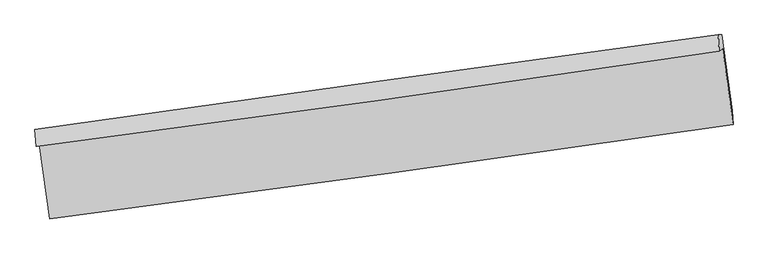
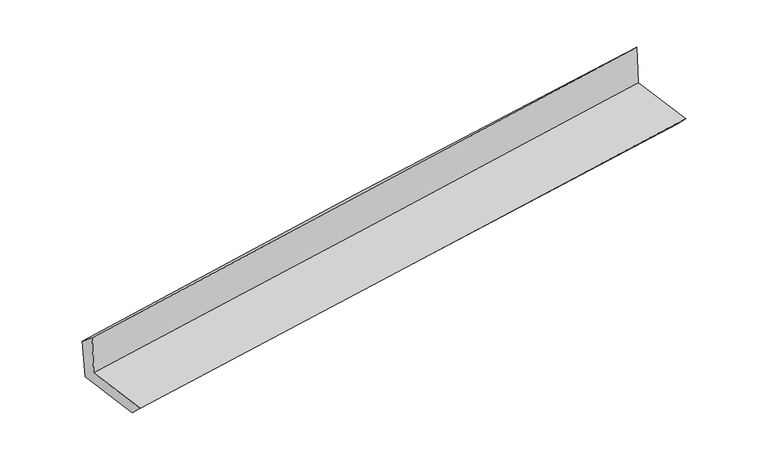
"""IFC4 building model written with IfcOpenShell, lengths in millimetres: proxy geometry."""

from ifc_helpers import new_model, si_unit, frame, origin, place, context, project, spatial, source, transform, mapped, element, save
from ifc_brep_helpers import plane_surface, spline_curve, spline_surface, advanced_brep


def generic_models_f47ac83e(model_context):
    return source(origin(), model_context, "Body", "AdvancedBrep", [
        advanced_brep(
        [(-3002.4272451, -1905.7506559, 1648.9788475), (-2911.5884304, -2559.830647, 1636.3362282), (3046.5817503, -1735.5115737, 2128.339541), (2954.4578688, -1072.1785285, 2141.1610112), (-3031.5118078, -1928.0490992, 2046.383396), (2925.0087953, -1094.7564335, 2543.546149), (-3042.1737656, -1776.5817533, 1921.0662822), (2916.28389, -951.4984868, 2408.218492), (-3010.4946758, -1776.912111, 1530.0009474), (2947.9727102, -951.828946, 2017.0330383), (-2919.5388819, -2431.8344043, 1517.3420473), (3039.6779245, -1612.1474004, 2004.2698366)],
        [
            (0, 1),
            (1, 2, spline_curve(3, [(-2911.5884304, -2559.830647, 1636.3362282), (-1918.257938687, -2429.115802498, 1725.924352266), (-925.078395826, -2295.065107341, 1811.718699349), (1060.978330654, -2020.292079696, 1975.719799868), (2053.855515063, -1879.569750453, 2053.926557402), (3046.5817503, -1735.5115737, 2128.339541)], [4, 2, 4], [0.0, 9.900150422184588, 19.800296258606025])),
            (2, 3),
            (3, 0, spline_curve(3, [(2954.4578688, -1072.1785285, 2141.1610112), (1962.422316908, -1221.209933292, 2066.651900816), (969.997563179, -1365.189964919, 1988.382175747), (-1015.630807652, -1643.047345433, 1824.321457856), (-2008.834425471, -1776.924689807, 1738.530461791), (-3002.4272451, -1905.7506559, 1648.9788475)], [4, 2, 4], [0.0, 9.900145836421437, 19.800296258606025])),
            (4, 0),
            (3, 5),
            (5, 4, spline_curve(3, [(2925.0087953, -1094.7564335, 2543.546149), (1933.155498835, -1243.648107529, 2466.546744211), (940.852248604, -1387.534985042, 2386.616822779), (-1044.654618448, -1665.299211888, 2220.89590764), (-2037.858236136, -1799.176555969, 2135.104911704), (-3031.5118078, -1928.0490992, 2046.383396)], [4, 2, 4], [0.0, 9.900197241645236, 19.800399069077432])),
            (6, 4),
            (5, 7),
            (7, 6, spline_curve(3, [(2916.28389, -951.4984868, 2408.218492), (1921.975174946, -1085.625813136, 2336.510475182), (928.282794196, -1221.446398832, 2260.060459887), (-1057.86975839, -1496.474153065, 2097.676394105), (-2050.329929628, -1635.681322845, 2011.742339517), (-3042.1737656, -1776.5817533, 1921.0662822)], [4, 2, 4], [0.0, 9.900063267486653, 19.800131120698207])),
            (8, 6),
            (7, 9),
            (9, 8, spline_curve(3, [(2947.9727102, -951.828946, 2017.0330383), (1954.204160064, -1085.961905495, 1938.656906698), (960.781050853, -1221.785299333, 1858.882843072), (-1025.374744648, -1496.813019364, 1696.538814329), (-2018.107431086, -1636.017347247, 1613.968847486), (-3010.4946758, -1776.912111, 1530.0009474)], [4, 2, 4], [0.0, 9.900014093135157, 19.80003277197244])),
            (10, 8),
            (9, 11),
            (11, 10, spline_curve(3, [(3039.6779245, -1612.1474004, 2004.2698366), (2046.013695352, -1747.031518898, 1925.879186155), (1052.580295434, -1882.780812551, 1846.106554726), (-933.825306887, -2156.009813129, 1683.797293083), (-1926.797508941, -2293.489520759, 1601.260661097), (-2919.5388819, -2431.8344043, 1517.3420473)], [4, 2, 4], [0.0, 9.899955264953652, 19.79991511558218])),
            (1, 10),
            (11, 2),
        ],
        [
            spline_surface(3, 3, [[(-3002.4272451, -1905.7506559, 1648.9788475), (-2008.83442531, -1776.924689713, 1738.530461868), (-1015.630807716, -1643.047345426, 1824.321457918), (969.997563243, -1365.189964926, 1988.382175685), (1962.42231691, -1221.209933453, 2066.651900832), (2954.4578688, -1072.1785285, 2141.1610112)], [(-2972.147640188, -2123.777319591, 1644.764641069), (-1978.642263054, -1994.321727266, 1734.328425391), (-985.446670462, -1860.386599384, 1820.120538332), (1000.324485768, -1583.557336542, 1984.16138376), (1992.900049636, -1440.663205791, 2062.410119686), (2985.165829307, -1293.289543574, 2136.887187779)], [(-2941.868035312, -2341.803983309, 1640.550434631), (-1948.450100836, -2211.718764847, 1730.126388907), (-955.262533227, -2077.725853324, 1815.919618821), (1030.651408276, -1801.92470814, 1979.940591908), (2023.37778234, -1660.116478109, 2058.168338601), (3015.873789793, -1514.400558626, 2132.613364421)], [(-2911.5884304, -2559.830647, 1636.3362282), (-1918.25793858, -2429.115802401, 1725.92435243), (-925.078395973, -2295.065107282, 1811.718699235), (1060.978330801, -2020.292079755, 1975.719799982), (2053.855515066, -1879.569750447, 2053.926557454), (3046.5817503, -1735.5115737, 2128.339541)]], [4, 4], [4, 2, 4], [0.0, 2.1652020835338757], [0.0, 9.900150422184588, 19.800296258606025]),
            spline_surface(3, 3, [[(-3031.5118078, -1928.0490992, 2046.383396), (-2037.858236164, -1799.176556016, 2135.104911592), (-1044.65461857, -1665.299211729, 2220.895907742), (940.852248725, -1387.534985202, 2386.616822677), (1933.155498807, -1243.64810757, 2466.546744228), (2925.0087953, -1094.7564335, 2543.546149)], [(-3021.816953588, -1920.616284781, 1913.915213142), (-2028.183632567, -1791.759267263, 2002.913428326), (-1034.980014973, -1657.881922975, 2088.704424476), (950.567353544, -1380.086645124, 2253.871940355), (1942.911104828, -1236.168716183, 2333.248463107), (2934.82515312, -1087.230465152, 2409.417769744)], [(-3012.122099312, -1913.183470319, 1781.447030358), (-2018.509028907, -1784.341978467, 1870.721945133), (-1025.305411313, -1650.464634179, 1956.512941184), (960.282458424, -1372.638305004, 2121.127058007), (1952.66671089, -1228.68932484, 2199.950181953), (2944.64151098, -1079.704496848, 2275.289390456)], [(-3002.4272451, -1905.7506559, 1648.9788475), (-2008.83442531, -1776.924689713, 1738.530461868), (-1015.630807716, -1643.047345426, 1824.321457918), (969.997563243, -1365.189964926, 1988.382175685), (1962.42231691, -1221.209933453, 2066.651900832), (2954.4578688, -1072.1785285, 2141.1610112)]], [4, 4], [4, 2, 4], [0.0, 1.309353184742224], [0.0, 9.900201827432197, 19.800399069077432]),
            spline_surface(3, 3, [[(-3042.1737656, -1776.5817533, 1921.0662822), (-2050.329929523, -1635.681322687, 2011.742339664), (-1057.869758306, -1496.474152912, 2097.676394234), (928.282794112, -1221.446398985, 2260.060459757), (1921.975174801, -1085.625813251, 2336.510475155), (2916.28389, -951.4984868, 2408.218492)], [(-3038.619779674, -1827.070868604, 1962.838653474), (-2046.172698411, -1690.179733801, 2052.863196981), (-1053.464711707, -1552.749172495, 2138.749565421), (932.472612337, -1276.809261034, 2302.245914082), (1925.701949494, -1138.299911367, 2379.855898186), (2919.192191791, -999.25113571, 2453.327711007)], [(-3035.065793726, -1877.559983896, 2004.611024726), (-2042.015467277, -1744.678144902, 2093.984054275), (-1049.05966517, -1609.024192146, 2179.822736555), (936.6624305, -1332.172123152, 2344.431368353), (1929.428724114, -1190.974009454, 2423.201321196), (2922.100493509, -1047.00378459, 2498.436929993)], [(-3031.5118078, -1928.0490992, 2046.383396), (-2037.858236164, -1799.176556016, 2135.104911592), (-1044.65461857, -1665.299211729, 2220.895907742), (940.852248725, -1387.534985202, 2386.616822677), (1933.155498807, -1243.64810757, 2466.546744228), (2925.0087953, -1094.7564335, 2543.546149)]], [4, 4], [4, 2, 4], [0.0, 0.6866680793819521], [0.0, 9.900067853211555, 19.800131120698207]),
            spline_surface(3, 3, [[(-3010.4946758, -1776.912111, 1530.0009474), (-2018.10743099, -1636.017347194, 1613.968847532), (-1025.374744728, -1496.813019401, 1696.538814192), (960.781050933, -1221.785299295, 1858.882843209), (1954.204159988, -1085.961905432, 1938.656906825), (2947.9727102, -951.828946, 2017.0330383)], [(-3021.054372381, -1776.801991744, 1660.356059023), (-2028.848263816, -1635.905339002, 1746.560011598), (-1036.206415946, -1496.700063923, 1830.251340857), (949.948298634, -1221.672332544, 1992.608715376), (1943.461164917, -1085.849874692, 2071.274762929), (2937.409770125, -951.71879292, 2147.428189528)], [(-3031.614069019, -1776.691872556, 1790.711170577), (-2039.589096698, -1635.793330879, 1879.151175597), (-1047.038087088, -1496.58710839, 1963.963867569), (939.115546411, -1221.559365737, 2126.33458759), (1932.718169872, -1085.737843992, 2203.892619051), (2926.846830075, -951.60863988, 2277.823340772)], [(-3042.1737656, -1776.5817533, 1921.0662822), (-2050.329929523, -1635.681322687, 2011.742339664), (-1057.869758306, -1496.474152912, 2097.676394234), (928.282794112, -1221.446398985, 2260.060459757), (1921.975174801, -1085.625813251, 2336.510475155), (2916.28389, -951.4984868, 2408.218492)]], [4, 4], [4, 2, 4], [0.0, 1.3204455990968589], [0.0, 9.900018678837283, 19.80003277197244]),
            spline_surface(3, 3, [[(-2919.5388819, -2431.8344043, 1517.3420473), (-1926.797508992, -2293.489520786, 1601.260661157), (-933.825306902, -2156.009813089, 1683.797292994), (1052.580295449, -1882.780812591, 1846.106554815), (2046.013695485, -1747.031518987, 1925.879186077), (3039.6779245, -1612.1474004, 2004.2698366)], [(-2949.857479869, -2213.526973203, 1521.561680644), (-1957.234149661, -2074.332129591, 1605.496723259), (-964.34178615, -1936.27754851, 1688.044466742), (1021.980547305, -1662.44897481, 1850.365317628), (2015.410516988, -1526.674981132, 1930.138426314), (3009.109519735, -1392.04124893, 2008.524237155)], [(-2980.176077831, -1995.219542097, 1525.781314056), (-1987.670790321, -1855.174738389, 1609.73278543), (-994.858265481, -1716.54528398, 1692.291640444), (991.380799077, -1442.117137077, 1854.624080395), (1984.807338486, -1306.318443287, 1934.397666588), (2978.541114965, -1171.93509747, 2012.778637745)], [(-3010.4946758, -1776.912111, 1530.0009474), (-2018.10743099, -1636.017347194, 1613.968847532), (-1025.374744728, -1496.813019401, 1696.538814192), (960.781050933, -1221.785299295, 1858.882843209), (1954.204159988, -1085.961905432, 1938.656906825), (2947.9727102, -951.828946, 2017.0330383)]], [4, 4], [4, 2, 4], [0.0, 2.1868561454725595], [0.0, 9.899959850628528, 19.79991511558218]),
            spline_surface(3, 3, [[(-2911.5884304, -2559.830647, 1636.3362282), (-1918.25793858, -2429.115802401, 1725.92435243), (-925.078395973, -2295.065107282, 1811.718699235), (1060.978330801, -2020.292079755, 1975.719799982), (2053.855515066, -1879.569750447, 2053.926557454), (3046.5817503, -1735.5115737, 2128.339541)], [(-2914.2385809, -2517.165232778, 1596.671501248), (-1921.104462051, -2383.907041874, 1684.369788687), (-927.994032958, -2248.713342552, 1769.078230487), (1058.178985675, -1974.454990701, 1932.515384924), (2051.241575195, -1835.390339976, 2011.244100348), (3044.280475022, -1694.390182615, 2086.982972887)], [(-2916.8887314, -2474.499818522, 1557.006774252), (-1923.950985521, -2338.698281313, 1642.815224901), (-930.909669917, -2202.361577819, 1726.437761743), (1055.379640575, -1928.617901645, 1889.310969872), (2048.627635356, -1791.210929459, 1968.561643183), (3041.979199778, -1653.268791485, 2045.626404713)], [(-2919.5388819, -2431.8344043, 1517.3420473), (-1926.797508992, -2293.489520786, 1601.260661157), (-933.825306902, -2156.009813089, 1683.797292994), (1052.580295449, -1882.780812591, 1846.106554815), (2046.013695485, -1747.031518987, 1925.879186077), (3039.6779245, -1612.1474004, 2004.2698366)]], [4, 4], [4, 2, 4], [0.0, 0.6205626677224241], [0.0, 9.899993485382383, 19.799982385074312]),
            plane_surface(frame((2971.6638232, -1236.3202281, 2207.094678), z_axis=(0.987537277512179, 0.1356054095474684, 0.07988302964520864), x_axis=(-0.08074263531591105, 0.0008420051525278574, 0.9967346276063479))),
            plane_surface(frame((-2986.2891344, -2063.1597784, 1716.6846248), z_axis=(-0.987537277512188, -0.13560540954749206, -0.07988302964505652), x_axis=(-0.1375348058545188, 0.9903119591098455, 0.019141599269121637))),
        ],
        [
            (0, [[1, 2, 3, 4]]),
            (1, [[5, -4, 6, 7]]),
            (2, [[8, -7, 9, 10]]),
            (3, [[11, -10, 12, 13]]),
            (4, [[14, -13, 15, 16]]),
            (5, [[17, -16, 18, -2]]),
            (6, [[-12, -9, -6, -3, -18, -15]]),
            (7, [[-1, -5, -8, -11, -14, -17]]),
        ],
    ),
    ])


if __name__ == "__main__":
    model = new_model("IFC4")
    model_context = context("Model", 3, world=origin())
    ifc_project = project(units=[si_unit("LENGTHUNIT", "METRE", prefix="MILLI")], contexts=[model_context])
    site = spatial("IfcSite", under=ifc_project)
    building = spatial("IfcBuilding", under=site)
    placement = place(None, origin())
    generic_models_shape = generic_models_f47ac83e(model_context)
    element("IfcBuildingElementProxy", 1, Name="Generic Models", at=placement, inside=building, context=model_context, shape_type="MappedRepresentation", body=[
        mapped(generic_models_shape, transform((0.0, 0.0, 0.0), x_axis=(1.0, 0.0, 0.0), y_axis=(0.0, 1.0, 0.0), z_axis=(0.0, 0.0, 1.0))),
    ])
    save(model, "model.ifc")
